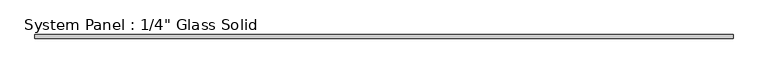
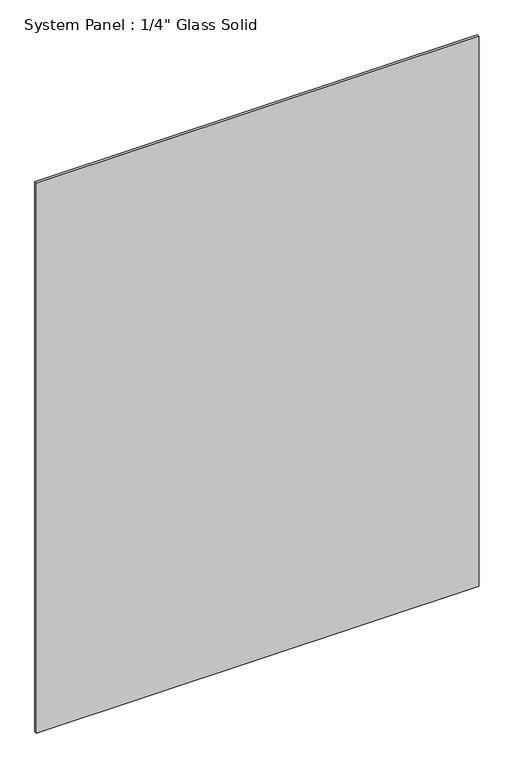
"""IFC4 building model written with IfcOpenShell, lengths in millimetres: plate geometry."""

import ifcopenshell
import ifcopenshell.guid

model = None  # the IFC model being written
_history = None  # IfcOwnerHistory: only IFC2X3 demands one
_inside = {}  # id of a spatial element -> (the spatial element, [elements in it])
_under = {}  # id of a project, library or spatial element -> (it, [spatial elements below it])
_declared = {}  # id of a project -> (the project, [libraries it declares])
_typed = {}  # id of a type object -> (the type object, [elements of that type])
_made_of = {}  # id of a material, layer set ... -> (it, [elements and type objects made of it])


def new_model(schema):
    """Start an empty IFC model of exactly this schema.

    Asked for "IFC4X3", IfcOpenShell would pick the latest addendum, in which some entities
    have other attributes; the version numbers below select the first issue.
    IFC2X3 requires an IfcOwnerHistory on every rooted entity: one is made here for all.
    """
    global model, _history
    if schema == "IFC4X3":
        model = ifcopenshell.file(schema_version=(4, 3, 0, 0))
    else:
        model = ifcopenshell.file(schema=schema)
    _inside.clear()
    _under.clear()
    _declared.clear()
    _typed.clear()
    _made_of.clear()
    _history = None
    if model.schema == "IFC2X3":
        org = make("IfcOrganization", Name="unknown")
        user = make(
            "IfcPersonAndOrganization",
            ThePerson=make("IfcPerson", FamilyName="unknown"),
            TheOrganization=org,
        )
        app = make(
            "IfcApplication",
            ApplicationDeveloper=org,
            Version="unknown",
            ApplicationFullName="unknown",
            ApplicationIdentifier="unknown",
        )
        _history = make(
            "IfcOwnerHistory",
            OwningUser=user,
            OwningApplication=app,
            ChangeAction="ADDED",
            CreationDate=0,
        )
    return model


def make(cls, **values):
    """One entity of the class cls with the attributes given. An attribute that is None is left unset."""
    return model.create_entity(
        cls, **{name: value for name, value in values.items() if value is not None}
    )


def rooted(cls, **values):
    """An entity with a GlobalId (a new one), such as an element, a storey or a relation."""
    return make(cls, GlobalId=ifcopenshell.guid.new(), OwnerHistory=_history, **values)


def si_unit(unit_type, name, prefix=None):
    """IfcSIUnit, for example si_unit("LENGTHUNIT", "METRE", prefix="MILLI")."""
    return make("IfcSIUnit", UnitType=unit_type, Prefix=prefix, Name=name)


def assignment(units):
    """IfcUnitAssignment: the units of a project."""
    return None if units is None else make("IfcUnitAssignment", Units=units)


def point(xyz):
    """IfcCartesianPoint."""
    return None if xyz is None else make("IfcCartesianPoint", Coordinates=xyz)


def direction(xyz):
    """IfcDirection."""
    return None if xyz is None else make("IfcDirection", DirectionRatios=xyz)


def frame(location, z_axis=None, x_axis=None):
    """IfcAxis2Placement3D, a coordinate frame: its origin and axes. An axis left out is left unset."""
    return make(
        "IfcAxis2Placement3D",
        Location=point(location),
        Axis=direction(z_axis),
        RefDirection=direction(x_axis),
    )


def origin():
    """The frame at (0, 0, 0) with its axes left unset."""
    return frame((0.0, 0.0, 0.0))


def origin_with_axes():
    """The frame at (0, 0, 0) with the z axis (0, 0, 1) and the x axis (1, 0, 0) written out."""
    return frame((0.0, 0.0, 0.0), z_axis=(0.0, 0.0, 1.0), x_axis=(1.0, 0.0, 0.0))


def place(relative_to, where):
    """IfcLocalPlacement: puts the frame where relative to a parent placement (None: the world)."""
    return make(
        "IfcLocalPlacement", PlacementRelTo=relative_to, RelativePlacement=where
    )


def context(
    kind, dimensions, precision=None, world=None, true_north=None, identifier=None
):
    """IfcGeometricRepresentationContext, for example the 3D "Model" context."""
    return make(
        "IfcGeometricRepresentationContext",
        ContextIdentifier=identifier,
        ContextType=kind,
        CoordinateSpaceDimension=dimensions,
        Precision=precision,
        WorldCoordinateSystem=world,
        TrueNorth=true_north,
    )


def project(units=None, contexts=None):
    """IfcProject with its units and contexts."""
    return rooted(
        "IfcProject",
        Name="project",
        RepresentationContexts=contexts,
        UnitsInContext=assignment(units),
    )


def spatial(cls, under=None, at=None, **own):
    """A site, building, storey or space (cls), placed at a placement, below another one or the project."""
    s = rooted(cls, ObjectPlacement=at, **own)
    if under is not None:
        _under.setdefault(under.id(), (under, []))[1].append(s)
    return s


def polyline(points):
    """IfcPolyline through the points."""
    return make("IfcPolyline", Points=[point(p) for p in points])


def outline(outer, holes=None, kind="AREA"):
    """IfcArbitraryClosedProfileDef: a profile drawn as a closed curve; with holes, ...WithVoids."""
    if holes is None:
        return make("IfcArbitraryClosedProfileDef", ProfileType=kind, OuterCurve=outer)
    return make(
        "IfcArbitraryProfileDefWithVoids",
        ProfileType=kind,
        OuterCurve=outer,
        InnerCurves=holes,
    )


def extrude(swept, where, along, depth):
    """IfcExtrudedAreaSolid: the profile swept, set in the frame where, extruded along a direction by depth."""
    return make(
        "IfcExtrudedAreaSolid",
        SweptArea=swept,
        Position=where,
        ExtrudedDirection=direction(along),
        Depth=depth,
    )


def shape(context_of_items, identifier, shape_type, items):
    """IfcShapeRepresentation: the items that make up one representation, for example the "Body"."""
    return make(
        "IfcShapeRepresentation",
        ContextOfItems=context_of_items,
        RepresentationIdentifier=identifier,
        RepresentationType=shape_type,
        Items=items,
    )


def source(mapping_origin, context_of_items, identifier, shape_type, items):
    """IfcRepresentationMap: a shape defined once, which mapped items show again and again."""
    return make(
        "IfcRepresentationMap",
        MappingOrigin=mapping_origin,
        MappedRepresentation=shape(context_of_items, identifier, shape_type, items),
    )


def transform(
    local_origin,
    x_axis=None,
    y_axis=None,
    z_axis=None,
    scale=None,
    scale2=None,
    scale3=None,
    uniform=True,
):
    """IfcCartesianTransformationOperator3D, or its non-uniform kind. x_axis, y_axis, z_axis: its Axis1, 2, 3."""
    if uniform:
        return make(
            "IfcCartesianTransformationOperator3D",
            Axis1=direction(x_axis),
            Axis2=direction(y_axis),
            LocalOrigin=point(local_origin),
            Scale=scale,
            Axis3=direction(z_axis),
        )
    return make(
        "IfcCartesianTransformationOperator3DnonUniform",
        Axis1=direction(x_axis),
        Axis2=direction(y_axis),
        LocalOrigin=point(local_origin),
        Scale=scale,
        Axis3=direction(z_axis),
        Scale2=scale2,
        Scale3=scale3,
    )


def mapped(mapping_source, mapping_target):
    """IfcMappedItem: shows the shape of a source again, moved by a transform."""
    return make(
        "IfcMappedItem", MappingSource=mapping_source, MappingTarget=mapping_target
    )


def made_of(thing, what):
    """Note that an element or type object is made of a material, layer set ...; save() writes the relation."""
    if what is not None:
        _made_of.setdefault(what.id(), (what, []))[1].append(thing)
    return thing


def element(
    cls,
    number,
    at=None,
    inside=None,
    cuts=None,
    type_object=None,
    material=None,
    context=None,
    identifier="Body",
    shape_type=None,
    held_by="IfcProductDefinitionShape",
    body=None,
    shapes=None,
    **own,
):
    """One element of the class cls, such as IfcWall. Its Tag is "e" and its number.

    at: its placement. inside: the storey or other place that contains it. cuts: it is an
    opening in that element (IfcRelVoidsElement). A single representation is given by context,
    identifier, shape_type and body (its items); several are given by shapes. held_by: the class
    of the entity that holds the representations. save() writes the other relations.
    """
    e = rooted(cls, Tag="e%d" % number, ObjectPlacement=at, **own)
    if body is not None:
        shapes = [shape(context, identifier, shape_type, body)]
    if shapes is not None:
        e.Representation = make(held_by, Representations=shapes)
    if inside is not None:
        _inside.setdefault(inside.id(), (inside, []))[1].append(e)
    if cuts is not None:
        rooted(
            "IfcRelVoidsElement", RelatingBuildingElement=cuts, RelatedOpeningElement=e
        )
    if type_object is not None:
        _typed.setdefault(type_object.id(), (type_object, []))[1].append(e)
    return made_of(e, material)


def aggregate(whole, parts):
    """IfcRelAggregates: a whole, such as a stair, and the parts it consists of."""
    return rooted("IfcRelAggregates", RelatingObject=whole, RelatedObjects=parts)


def save(model, path):
    """Write the relations noted so far, then the file.

    IfcRelAggregates (storeys below a building ...), IfcRelContainedInSpatialStructure (elements
    in a storey), IfcRelDefinesByType, IfcRelAssociatesMaterial and IfcRelDeclares: one each for
    every whole, place, type object, material and project.
    """
    for whole, parts in _under.values():
        aggregate(whole, parts)
    for where, things in _inside.values():
        rooted(
            "IfcRelContainedInSpatialStructure",
            RelatedElements=things,
            RelatingStructure=where,
        )
    for kind, things in _typed.values():
        rooted("IfcRelDefinesByType", RelatedObjects=things, RelatingType=kind)
    for what, things in _made_of.values():
        rooted("IfcRelAssociatesMaterial", RelatedObjects=things, RelatingMaterial=what)
    for by, libraries in _declared.values():
        rooted("IfcRelDeclares", RelatingContext=by, RelatedDefinitions=libraries)
    model.write(path)


def plate_4a6d5fa2(model_context):
    return source(origin(), model_context, "Body", "SweptSolid", [
        extrude(outline(polyline([(548.6970691, -3.175), (-548.6970691, -3.175), (-548.6970691, 3.175), (548.6970691, 3.175), (548.6970691, -3.175)])), origin_with_axes(), (0.0, 0.0, 1.0), 1440.1817704),
    ])


if __name__ == "__main__":
    model = new_model("IFC4")
    model_context = context("Model", 3, world=origin())
    ifc_project = project(units=[si_unit("LENGTHUNIT", "METRE", prefix="MILLI")], contexts=[model_context])
    site = spatial("IfcSite", under=ifc_project)
    building = spatial("IfcBuilding", under=site)
    placement = place(None, origin())
    plate_shape = plate_4a6d5fa2(model_context)
    element("IfcPlate", 1, ObjectType="System Panel : 1/4\" Glass Solid", at=placement, inside=building, context=model_context, shape_type="MappedRepresentation", body=[
        mapped(plate_shape, transform((0.0, 0.0, 0.0), x_axis=(1.0, 0.0, 0.0), y_axis=(0.0, 1.0, 0.0), z_axis=(0.0, 0.0, 1.0))),
    ])
    save(model, "model.ifc")
